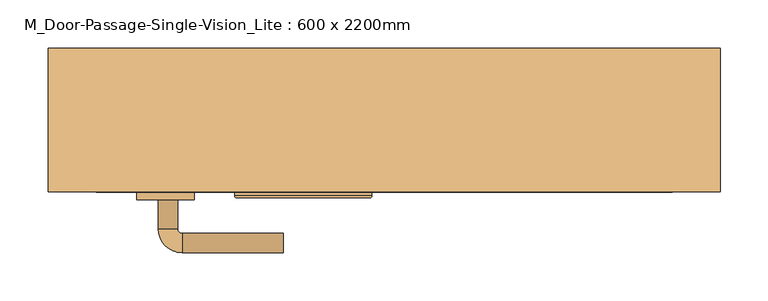
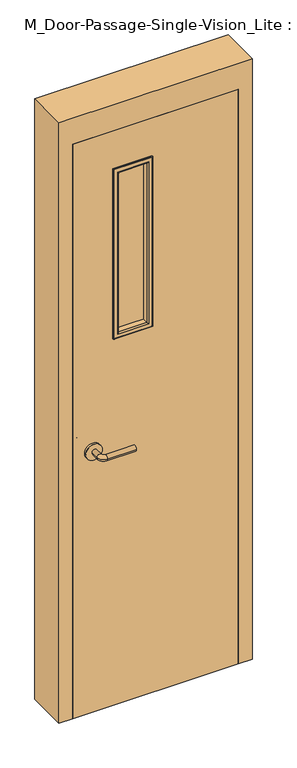
"""IFC4 building model written with IfcOpenShell, lengths in millimetres: door geometry, M_Door-Passage-Single-Vision_Lite : 600 x 2200mm."""

from ifc_helpers import new_model, si_unit, point, frame, frame_2d, origin, place, context, project, spatial, polyline, circle_curve, ellipse_curve, trimmed, segment, composite_curve, outline, extrude, faceted_brep, source, transform, mapped, element, save
from ifc_brep_helpers import plane_surface, cylinder_surface, revolved_surface, advanced_brep


def m_door_passage_single_vision_lite_600_x_2200mm_a9988aac(model_context):
    return source(origin(), model_context, "Body", "SolidModel", [
        advanced_brep(
        [(-234.990625, -104.35, 1000.0), (-214.990625, -104.35, 1000.0), (-234.990625, -74.35, 1000.0), (-214.990625, -74.35, 1000.0), (-209.990625, -69.35, 1000.0), (-209.990625, -49.35, 1000.0), (-104.990625, -49.35, 1000.0), (-104.990625, -69.35, 1000.0)],
        [
            (0, 1, circle_curve(frame((-224.990625, -104.35, 1000.0), z_axis=(0.0, -1.0, 0.0), x_axis=(1.0, 0.0, 0.0)), 10.0)),
            (1, 0, circle_curve(frame((-224.990625, -104.35, 1000.0), z_axis=(0.0, -1.0, 0.0), x_axis=(1.0, 0.0, 0.0)), 10.0)),
            (0, 2),
            (2, 3, circle_curve(frame((-224.990625, -74.35, 1000.0), z_axis=(0.0, -1.0, 0.0), x_axis=(1.0, 0.0, 0.0)), 10.0)),
            (3, 1),
            (3, 2, circle_curve(frame((-224.990625, -74.35, 1000.0), z_axis=(0.0, -1.0, 0.0), x_axis=(1.0, 0.0, 0.0)), 10.0)),
            (4, 3, circle_curve(frame((-209.990625, -74.35, 1000.0), z_axis=(0.0, 0.0, 1.0), x_axis=(-1.0, 0.0, 0.0)), 5.0)),
            (2, 5, circle_curve(frame((-209.990625, -74.35, 1000.0), z_axis=(0.0, 0.0, -1.0), x_axis=(-1.0, 0.0, 0.0)), 25.0)),
            (5, 4, circle_curve(frame((-209.990625, -59.35, 1000.0), z_axis=(-1.0, 0.0, 0.0), x_axis=(0.0, -1.0, 0.0)), 10.0)),
            (4, 5, circle_curve(frame((-209.990625, -59.35, 1000.0), z_axis=(-1.0, 0.0, 0.0), x_axis=(0.0, -1.0, 0.0)), 10.0)),
            (6, 7, circle_curve(frame((-104.990625, -59.35, 1000.0), z_axis=(1.0, 0.0, 0.0), x_axis=(0.0, -1.0, 0.0)), 10.0)),
            (7, 6, circle_curve(frame((-104.990625, -59.35, 1000.0), z_axis=(1.0, 0.0, 0.0), x_axis=(0.0, -1.0, 0.0)), 10.0)),
            (5, 6),
            (7, 4),
        ],
        [
            plane_surface(frame((-224.990625, -104.35, 1000.0), z_axis=(0.0, -1.0, 0.0), x_axis=(0.0, 0.0, 1.0))),
            cylinder_surface(frame((-224.990625, -104.35, 1000.0), z_axis=(0.0, -1.0, 0.0), x_axis=(1.0, 0.0, 0.0)), 10.0),
            revolved_surface(trimmed(ellipse_curve(frame((-224.990625, -74.35, 1000.0), z_axis=(0.0, -1.0, 0.0), x_axis=(1.0, 0.0, 0.0)), 10.0, 10.0), [point((-234.990625, -74.35, 1000.0))], [point((-214.990625, -74.35, 1000.0))], True, "CARTESIAN"), (-209.990625, -74.35, 1000.0), (0.0, 0.0, -1.0)),
            revolved_surface(trimmed(ellipse_curve(frame((-224.990625, -74.35, 1000.0), z_axis=(0.0, -1.0, 0.0), x_axis=(1.0, 0.0, 0.0)), 10.0, 10.0), [point((-214.990625, -74.35, 1000.0))], [point((-234.990625, -74.35, 1000.0))], True, "CARTESIAN"), (-209.990625, -74.35, 1000.0), (0.0, 0.0, -1.0)),
            plane_surface(frame((-104.990625, -59.35, 1000.0), z_axis=(1.0, 0.0, 0.0), x_axis=(0.0, 0.0, 1.0))),
            cylinder_surface(frame((-209.990625, -59.35, 1000.0), z_axis=(-1.0, 0.0, 0.0), x_axis=(0.0, -1.0, 0.0)), 10.0),
        ],
        [
            (0, [[1, 2]]),
            (1, [[-1, 3, 4, 5]]),
            (1, [[-2, -5, 6, -3]]),
            (2, [[7, -4, 8, 9]]),
            (3, [[-8, -6, -7, 10]]),
            (4, [[11, 12]]),
            (5, [[-9, 13, -12, 14]]),
            (5, [[-10, -14, -11, -13]]),
        ],
    ),
        extrude(outline(composite_curve([segment(trimmed(circle_curve(frame_2d((1000.0, -227.490625)), 30.0), [point((1000.0, -257.490625))], [point((1000.0, -197.490625))], False, "CARTESIAN"), True, "CONTINUOUS"), segment(trimmed(circle_curve(frame_2d((1000.0, -227.490625)), 30.0), [point((1000.0, -197.490625))], [point((1000.0, -257.490625))], False, "CARTESIAN"), True, "CONTINUOUS")], self_intersect=False)), frame((0.0, -112.35, 0.0), z_axis=(0.0, 1.0, 0.0), x_axis=(0.0, 0.0, 1.0)), (0.0, 0.0, 1.0), 8.0),
        advanced_brep(
        [(-234.990625, -165.35, 1000.0), (-214.990625, -165.35, 1000.0), (-214.990625, -195.35, 1000.0), (-234.990625, -195.35, 1000.0), (-209.990625, -200.35, 1000.0), (-209.990625, -220.35, 1000.0), (-104.990625, -220.35, 1000.0), (-104.990625, -200.35, 1000.0)],
        [
            (0, 1, circle_curve(frame((-224.990625, -165.35, 1000.0), z_axis=(0.0, 1.0, 0.0), x_axis=(1.0, 0.0, 0.0)), 10.0)),
            (1, 0, circle_curve(frame((-224.990625, -165.35, 1000.0), z_axis=(0.0, 1.0, 0.0), x_axis=(1.0, 0.0, 0.0)), 10.0)),
            (1, 2),
            (2, 3, circle_curve(frame((-224.990625, -195.35, 1000.0), z_axis=(0.0, 1.0, 0.0), x_axis=(1.0, 0.0, 0.0)), 10.0)),
            (3, 0),
            (3, 2, circle_curve(frame((-224.990625, -195.35, 1000.0), z_axis=(0.0, 1.0, 0.0), x_axis=(1.0, 0.0, 0.0)), 10.0)),
            (4, 5, circle_curve(frame((-209.990625, -210.35, 1000.0), z_axis=(-1.0, 0.0, 0.0), x_axis=(0.0, 1.0, 0.0)), 10.0)),
            (5, 3, circle_curve(frame((-209.990625, -195.35, 1000.0), z_axis=(0.0, 0.0, -1.0), x_axis=(-1.0, 0.0, 0.0)), 25.0)),
            (2, 4, circle_curve(frame((-209.990625, -195.35, 1000.0), z_axis=(0.0, 0.0, 1.0), x_axis=(-1.0, 0.0, 0.0)), 5.0)),
            (5, 4, circle_curve(frame((-209.990625, -210.35, 1000.0), z_axis=(-1.0, 0.0, 0.0), x_axis=(0.0, 1.0, 0.0)), 10.0)),
            (6, 7, circle_curve(frame((-104.990625, -210.35, 1000.0), z_axis=(1.0, 0.0, 0.0), x_axis=(0.0, 1.0, 0.0)), 10.0)),
            (7, 6, circle_curve(frame((-104.990625, -210.35, 1000.0), z_axis=(1.0, 0.0, 0.0), x_axis=(0.0, 1.0, 0.0)), 10.0)),
            (4, 7),
            (6, 5),
        ],
        [
            plane_surface(frame((-224.990625, -165.35, 1000.0), z_axis=(0.0, 1.0, 0.0), x_axis=(0.0, 0.0, 1.0))),
            cylinder_surface(frame((-224.990625, -165.35, 1000.0), z_axis=(0.0, 1.0, 0.0), x_axis=(1.0, 0.0, 0.0)), 10.0),
            revolved_surface(trimmed(ellipse_curve(frame((-224.990625, -195.35, 1000.0), z_axis=(0.0, -1.0, 0.0), x_axis=(1.0, 0.0, 0.0)), 10.0, 10.0), [point((-234.990625, -195.35, 1000.0))], [point((-214.990625, -195.35, 1000.0))], True, "CARTESIAN"), (-209.990625, -195.35, 1000.0), (0.0, 0.0, -1.0)),
            revolved_surface(trimmed(ellipse_curve(frame((-224.990625, -195.35, 1000.0), z_axis=(0.0, -1.0, 0.0), x_axis=(1.0, 0.0, 0.0)), 10.0, 10.0), [point((-214.990625, -195.35, 1000.0))], [point((-234.990625, -195.35, 1000.0))], True, "CARTESIAN"), (-209.990625, -195.35, 1000.0), (0.0, 0.0, -1.0)),
            plane_surface(frame((-104.990625, -210.35, 1000.0), z_axis=(1.0, 0.0, 0.0), x_axis=(0.0, 0.0, 1.0))),
            cylinder_surface(frame((-209.990625, -210.35, 1000.0), z_axis=(-1.0, 0.0, 0.0), x_axis=(0.0, 1.0, 0.0)), 10.0),
        ],
        [
            (0, [[1, 2]]),
            (1, [[3, 4, 5, -2]]),
            (1, [[-5, 6, -3, -1]]),
            (2, [[7, 8, -4, 9]]),
            (3, [[10, -9, -6, -8]]),
            (4, [[11, 12]]),
            (5, [[13, -11, 14, -7]]),
            (5, [[-14, -12, -13, -10]]),
        ],
    ),
        extrude(outline(composite_curve([segment(trimmed(circle_curve(frame_2d((1000.0, -227.490625)), 30.0), [point((1000.0, -257.490625))], [point((1000.0, -197.490625))], False, "CARTESIAN"), True, "CONTINUOUS"), segment(trimmed(circle_curve(frame_2d((1000.0, -227.490625)), 30.0), [point((1000.0, -197.490625))], [point((1000.0, -257.490625))], False, "CARTESIAN"), True, "CONTINUOUS")], self_intersect=False)), frame((0.0, -165.35, 0.0), z_axis=(0.0, 1.0, 0.0), x_axis=(0.0, 0.0, 1.0)), (0.0, 0.0, 1.0), 8.0),
        faceted_brep([(300.0, -107.5875, 0.0), (284.125, -107.5875, 0.0), (284.125, -56.5625, 0.0), (300.0, -56.5625, 0.0), (300.0, -7.35, 0.0), (350.0, -7.35, 0.0), (350.0, -157.35, 0.0), (300.0, -157.35, 0.0), (300.0, -157.35, 2200.0), (300.0, -107.5875, 2200.0), (350.0, -157.35, 2300.0), (-350.0, -157.35, 2300.0), (-350.0, -157.35, 0.0), (-300.0, -157.35, 0.0), (-300.0, -157.35, 2200.0), (350.0, -7.35, 2300.0), (300.0, -7.35, 2200.0), (-300.0, -7.35, 2200.0), (-300.0, -7.35, 0.0), (-350.0, -7.35, 0.0), (-350.0, -7.35, 2300.0), (300.0, -56.5625, 2200.0), (284.125, -56.5625, 2184.125), (-284.125, -56.5625, 2184.125), (-284.125, -56.5625, 0.0), (-300.0, -56.5625, 0.0), (-300.0, -56.5625, 2200.0), (284.125, -107.5875, 2184.125), (-300.0, -107.5875, 2200.0), (-300.0, -107.5875, 0.0), (-284.125, -107.5875, 0.0), (-284.125, -107.5875, 2184.125)], [[[0, 1, 2, 3, 4, 5, 6, 7]], [[7, 8, 9, 0]], [[6, 10, 11, 12, 13, 14, 8, 7]], [[5, 15, 10, 6]], [[4, 16, 17, 18, 19, 20, 15, 5]], [[3, 21, 16, 4]], [[2, 22, 23, 24, 25, 26, 21, 3]], [[1, 27, 22, 2]], [[0, 9, 28, 29, 30, 31, 27, 1]], [[8, 14, 28, 9]], [[16, 21, 26, 17]], [[22, 27, 31, 23]], [[12, 19, 18, 25, 24, 30, 29, 13]], [[13, 29, 28, 14]], [[11, 20, 19, 12]], [[17, 26, 25, 18]], [[23, 31, 30, 24]], [[15, 20, 11, 10]]]),
        extrude(outline(polyline([(2200.0, -300.0), (0.0, -300.0), (0.0, 300.0), (2200.0, 300.0), (2200.0, -300.0)]), holes=[polyline([(2047.6, -147.6), (2047.6, -20.6), (1412.6, -20.6), (1412.6, -147.6), (2047.6, -147.6)])]), frame((0.0, -157.35, 0.0), z_axis=(0.0, 1.0, 0.0), x_axis=(0.0, 0.0, 1.0)), (0.0, 0.0, 1.0), 45.0),
        extrude(outline(polyline([(-20.6, -132.35), (-20.6, -137.35), (-147.6, -137.35), (-147.6, -132.35), (-20.6, -132.35)])), frame((0.0, 0.0, 1412.6), z_axis=(0.0, 0.0, 1.0), x_axis=(1.0, 0.0, 0.0)), (0.0, 0.0, 1.0), 635.0),
        advanced_brep(
        [(-147.6, -132.35, 1412.6), (-147.6, -132.35, 2047.6), (-147.6, -112.35, 2047.6), (-147.6, -112.35, 1412.6), (-135.6, -111.35, 1424.6), (-135.6, -111.35, 2035.6), (-135.6, -132.35, 2035.6), (-135.6, -132.35, 1424.6), (-140.6, -106.35, 1419.6), (-140.6, -106.35, 2040.6), (-155.6, -108.35, 1404.6), (-155.6, -108.35, 2055.6), (-153.6, -106.35, 2053.6), (-153.6, -106.35, 1406.6), (-155.6, -112.35, 1404.6), (-155.6, -112.35, 2055.6), (-20.6, -132.35, 2047.6), (-20.6, -112.35, 2047.6), (-32.6, -111.35, 2035.6), (-32.6, -132.35, 2035.6), (-27.6, -106.35, 2040.6), (-12.6, -108.35, 2055.6), (-14.6, -106.35, 2053.6), (-12.6, -112.35, 2055.6), (-20.6, -132.35, 1412.6), (-20.6, -112.35, 1412.6), (-32.6, -111.35, 1424.6), (-32.6, -132.35, 1424.6), (-27.6, -106.35, 1419.6), (-12.6, -108.35, 1404.6), (-14.6, -106.35, 1406.6), (-12.6, -112.35, 1404.6)],
        [
            (0, 1),
            (1, 2),
            (2, 3),
            (3, 0),
            (4, 5),
            (5, 6),
            (6, 7),
            (7, 4),
            (8, 9),
            (9, 5, ellipse_curve(frame((-140.6, -111.35, 2040.6), z_axis=(-0.7071067811865475, 0.0, -0.7071067811865475), x_axis=(0.7071067811865474, 0.0, -0.7071067811865476)), 7.0710678, 5.0)),
            (4, 8, ellipse_curve(frame((-140.6, -111.35, 1419.6), z_axis=(-0.7071067811865475, 0.0, 0.7071067811865475), x_axis=(-0.7071067811865474, 0.0, -0.7071067811865476)), 7.0710678, 5.0)),
            (10, 11),
            (11, 12, ellipse_curve(frame((-153.6, -108.35, 2053.6), z_axis=(-0.7071067811865475, 0.0, -0.7071067811865475), x_axis=(0.7071067811865474, 0.0, -0.7071067811865476)), 2.8284271, 2.0)),
            (12, 13),
            (13, 10, ellipse_curve(frame((-153.6, -108.35, 1406.6), z_axis=(-0.7071067811865475, 0.0, 0.7071067811865475), x_axis=(-0.7071067811865474, 0.0, -0.7071067811865476)), 2.8284271, 2.0)),
            (14, 15),
            (15, 11),
            (10, 14),
            (1, 16),
            (16, 17),
            (17, 2),
            (5, 18),
            (18, 19),
            (19, 6),
            (9, 20),
            (20, 18, ellipse_curve(frame((-27.6, -111.35, 2040.6), z_axis=(-0.7071067811865475, 0.0, 0.7071067811865475), x_axis=(-0.7071067811865476, 0.0, -0.7071067811865474)), 7.0710678, 5.0)),
            (11, 21),
            (21, 22, ellipse_curve(frame((-14.6, -108.35, 2053.6), z_axis=(-0.7071067811865475, 0.0, 0.7071067811865475), x_axis=(-0.7071067811865476, 0.0, -0.7071067811865474)), 2.8284271, 2.0)),
            (22, 12),
            (15, 23),
            (23, 21),
            (16, 24),
            (24, 25),
            (25, 17),
            (18, 26),
            (26, 27),
            (27, 19),
            (20, 28),
            (28, 26, ellipse_curve(frame((-27.6, -111.35, 1419.6), z_axis=(0.7071067811865475, 0.0, 0.7071067811865475), x_axis=(-0.7071067811865474, 0.0, 0.7071067811865476)), 7.0710678, 5.0)),
            (21, 29),
            (29, 30, ellipse_curve(frame((-14.6, -108.35, 1406.6), z_axis=(0.7071067811865475, 0.0, 0.7071067811865475), x_axis=(-0.7071067811865474, 0.0, 0.7071067811865476)), 2.8284271, 2.0)),
            (30, 22),
            (23, 31),
            (31, 29),
            (14, 31),
            (25, 3),
            (24, 0),
            (27, 7),
            (26, 4),
            (28, 8),
            (30, 13),
            (29, 10),
        ],
        [
            plane_surface(frame((-147.6, -112.35, 1412.6), z_axis=(-1.0, 0.0, 0.0), x_axis=(0.0, 0.0, 1.0))),
            plane_surface(frame((-135.6, -132.35, 1424.6), z_axis=(1.0, 0.0, 0.0), x_axis=(0.0, 0.0, 1.0))),
            cylinder_surface(frame((-140.6, -111.35, 1412.6), z_axis=(0.0, 0.0, -1.0), x_axis=(-1.0, 0.0, 0.0)), 5.0),
            cylinder_surface(frame((-153.6, -108.35, 1412.6), z_axis=(0.0, 0.0, -1.0), x_axis=(-1.0, 0.0, 0.0)), 2.0),
            plane_surface(frame((-155.6, -108.35, 1404.6), z_axis=(-1.0, 0.0, 0.0), x_axis=(0.0, 0.0, 1.0))),
            plane_surface(frame((-147.6, -112.35, 2047.6), z_axis=(0.0, 0.0, 1.0), x_axis=(1.0, 0.0, 0.0))),
            plane_surface(frame((-135.6, -132.35, 2035.6), z_axis=(0.0, 0.0, -1.0), x_axis=(1.0, 0.0, 0.0))),
            cylinder_surface(frame((-147.6, -111.35, 2040.6), z_axis=(-1.0, 0.0, 0.0), x_axis=(0.0, 0.0, 1.0)), 5.0),
            cylinder_surface(frame((-147.6, -108.35, 2053.6), z_axis=(-1.0, 0.0, 0.0), x_axis=(0.0, 0.0, 1.0)), 2.0),
            plane_surface(frame((-155.6, -108.35, 2055.6), z_axis=(0.0, 0.0, 1.0), x_axis=(1.0, 0.0, 0.0))),
            plane_surface(frame((-20.6, -112.35, 2047.6), z_axis=(1.0, 0.0, 0.0), x_axis=(0.0, 0.0, -1.0))),
            plane_surface(frame((-32.6, -132.35, 2035.6), z_axis=(-1.0, 0.0, 0.0), x_axis=(0.0, 0.0, -1.0))),
            cylinder_surface(frame((-27.6, -111.35, 2047.6), z_axis=(0.0, 0.0, 1.0), x_axis=(1.0, 0.0, 0.0)), 5.0),
            cylinder_surface(frame((-14.6, -108.35, 2047.6), z_axis=(0.0, 0.0, 1.0), x_axis=(1.0, 0.0, 0.0)), 2.0),
            plane_surface(frame((-12.6, -108.35, 2055.6), z_axis=(1.0, 0.0, 0.0), x_axis=(0.0, 0.0, -1.0))),
            plane_surface(frame((-12.6, -112.35, 1404.6), z_axis=(0.0, -1.0, 0.0), x_axis=(-1.0, 0.0, 0.0))),
            plane_surface(frame((-20.6, -112.35, 1412.6), z_axis=(0.0, 0.0, -1.0), x_axis=(-1.0, 0.0, 0.0))),
            plane_surface(frame((-20.6, -132.35, 1412.6), z_axis=(0.0, -1.0, 0.0), x_axis=(-1.0, 0.0, 0.0))),
            plane_surface(frame((-32.6, -132.35, 1424.6), z_axis=(0.0, 0.0, 1.0), x_axis=(-1.0, 0.0, 0.0))),
            cylinder_surface(frame((-20.6, -111.35, 1419.6), z_axis=(1.0, 0.0, 0.0), x_axis=(0.0, 0.0, -1.0)), 5.0),
            plane_surface(frame((-27.6, -106.35, 1419.6), z_axis=(0.0, 1.0, 0.0), x_axis=(-1.0, 0.0, 0.0))),
            cylinder_surface(frame((-20.6, -108.35, 1406.6), z_axis=(1.0, 0.0, 0.0), x_axis=(0.0, 0.0, -1.0)), 2.0),
            plane_surface(frame((-12.6, -108.35, 1404.6), z_axis=(0.0, 0.0, -1.0), x_axis=(-1.0, 0.0, 0.0))),
        ],
        [
            (0, [[1, 2, 3, 4]]),
            (1, [[5, 6, 7, 8]]),
            (2, [[9, 10, -5, 11]]),
            (3, [[12, 13, 14, 15]]),
            (4, [[16, 17, -12, 18]]),
            (5, [[19, 20, 21, -2]]),
            (6, [[22, 23, 24, -6]]),
            (7, [[25, 26, -22, -10]]),
            (8, [[27, 28, 29, -13]]),
            (9, [[30, 31, -27, -17]]),
            (10, [[32, 33, 34, -20]]),
            (11, [[35, 36, 37, -23]]),
            (12, [[38, 39, -35, -26]]),
            (13, [[40, 41, 42, -28]]),
            (14, [[43, 44, -40, -31]]),
            (15, [[-16, 45, -43, -30], [-3, -21, -34, 46]]),
            (16, [[47, -4, -46, -33]]),
            (17, [[-1, -47, -32, -19], [-7, -24, -37, 48]]),
            (18, [[49, -8, -48, -36]]),
            (19, [[50, -11, -49, -39]]),
            (20, [[-14, -29, -42, 51], [-9, -50, -38, -25]]),
            (21, [[52, -15, -51, -41]]),
            (22, [[-45, -18, -52, -44]]),
        ],
    ),
        advanced_brep(
        [(-147.6, -137.35, 2047.6), (-147.6, -137.35, 1412.6), (-147.6, -157.35, 1412.6), (-147.6, -157.35, 2047.6), (-135.6, -158.35, 2035.6), (-135.6, -158.35, 1424.6), (-135.6, -137.35, 1424.6), (-135.6, -137.35, 2035.6), (-140.6, -163.35, 2040.6), (-140.6, -163.35, 1419.6), (-155.6, -161.35, 2055.6), (-155.6, -161.35, 1404.6), (-153.6, -163.35, 1406.6), (-153.6, -163.35, 2053.6), (-155.6, -157.35, 2055.6), (-155.6, -157.35, 1404.6), (-20.6, -137.35, 1412.6), (-20.6, -157.35, 1412.6), (-32.6, -158.35, 1424.6), (-32.6, -137.35, 1424.6), (-27.6, -163.35, 1419.6), (-12.6, -161.35, 1404.6), (-14.6, -163.35, 1406.6), (-12.6, -157.35, 1404.6), (-20.6, -137.35, 2047.6), (-20.6, -157.35, 2047.6), (-32.6, -158.35, 2035.6), (-32.6, -137.35, 2035.6), (-27.6, -163.35, 2040.6), (-12.6, -161.35, 2055.6), (-14.6, -163.35, 2053.6), (-12.6, -157.35, 2055.6)],
        [
            (0, 1),
            (1, 2),
            (2, 3),
            (3, 0),
            (4, 5),
            (5, 6),
            (6, 7),
            (7, 4),
            (8, 9),
            (9, 5, ellipse_curve(frame((-140.6, -158.35, 1419.6), z_axis=(-0.7071067811865475, 0.0, 0.7071067811865475), x_axis=(0.7071067811865474, 0.0, 0.7071067811865476)), 7.0710678, 5.0)),
            (4, 8, ellipse_curve(frame((-140.6, -158.35, 2040.6), z_axis=(-0.7071067811865475, 0.0, -0.7071067811865475), x_axis=(-0.7071067811865474, 0.0, 0.7071067811865476)), 7.0710678, 5.0)),
            (10, 11),
            (11, 12, ellipse_curve(frame((-153.6, -161.35, 1406.6), z_axis=(-0.7071067811865475, 0.0, 0.7071067811865475), x_axis=(0.7071067811865474, 0.0, 0.7071067811865476)), 2.8284271, 2.0)),
            (12, 13),
            (13, 10, ellipse_curve(frame((-153.6, -161.35, 2053.6), z_axis=(-0.7071067811865475, 0.0, -0.7071067811865475), x_axis=(-0.7071067811865474, 0.0, 0.7071067811865476)), 2.8284271, 2.0)),
            (14, 15),
            (15, 11),
            (10, 14),
            (1, 16),
            (16, 17),
            (17, 2),
            (5, 18),
            (18, 19),
            (19, 6),
            (9, 20),
            (20, 18, ellipse_curve(frame((-27.6, -158.35, 1419.6), z_axis=(-0.7071067811865475, 0.0, -0.7071067811865475), x_axis=(-0.7071067811865476, 0.0, 0.7071067811865474)), 7.0710678, 5.0)),
            (11, 21),
            (21, 22, ellipse_curve(frame((-14.6, -161.35, 1406.6), z_axis=(-0.7071067811865475, 0.0, -0.7071067811865475), x_axis=(-0.7071067811865476, 0.0, 0.7071067811865474)), 2.8284271, 2.0)),
            (22, 12),
            (15, 23),
            (23, 21),
            (16, 24),
            (24, 25),
            (25, 17),
            (18, 26),
            (26, 27),
            (27, 19),
            (20, 28),
            (28, 26, ellipse_curve(frame((-27.6, -158.35, 2040.6), z_axis=(0.7071067811865475, 0.0, -0.7071067811865475), x_axis=(-0.7071067811865474, 0.0, -0.7071067811865476)), 7.0710678, 5.0)),
            (21, 29),
            (29, 30, ellipse_curve(frame((-14.6, -161.35, 2053.6), z_axis=(0.7071067811865475, 0.0, -0.7071067811865475), x_axis=(-0.7071067811865474, 0.0, -0.7071067811865476)), 2.8284271, 2.0)),
            (30, 22),
            (23, 31),
            (31, 29),
            (14, 31),
            (25, 3),
            (24, 0),
            (27, 7),
            (26, 4),
            (28, 8),
            (30, 13),
            (29, 10),
        ],
        [
            plane_surface(frame((-147.6, -157.35, 2047.6), z_axis=(-1.0, 0.0, 0.0), x_axis=(0.0, 0.0, -1.0))),
            plane_surface(frame((-135.6, -137.35, 2035.6), z_axis=(1.0, 0.0, 0.0), x_axis=(0.0, 0.0, -1.0))),
            cylinder_surface(frame((-140.6, -158.35, 2047.6), z_axis=(0.0, 0.0, 1.0), x_axis=(-1.0, 0.0, 0.0)), 5.0),
            cylinder_surface(frame((-153.6, -161.35, 2047.6), z_axis=(0.0, 0.0, 1.0), x_axis=(-1.0, 0.0, 0.0)), 2.0),
            plane_surface(frame((-155.6, -161.35, 2055.6), z_axis=(-1.0, 0.0, 0.0), x_axis=(0.0, 0.0, -1.0))),
            plane_surface(frame((-147.6, -157.35, 1412.6), z_axis=(0.0, 0.0, -1.0), x_axis=(1.0, 0.0, 0.0))),
            plane_surface(frame((-135.6, -137.35, 1424.6), z_axis=(0.0, 0.0, 1.0), x_axis=(1.0, 0.0, 0.0))),
            cylinder_surface(frame((-147.6, -158.35, 1419.6), z_axis=(-1.0, 0.0, 0.0), x_axis=(0.0, 0.0, -1.0)), 5.0),
            cylinder_surface(frame((-147.6, -161.35, 1406.6), z_axis=(-1.0, 0.0, 0.0), x_axis=(0.0, 0.0, -1.0)), 2.0),
            plane_surface(frame((-155.6, -161.35, 1404.6), z_axis=(0.0, 0.0, -1.0), x_axis=(1.0, 0.0, 0.0))),
            plane_surface(frame((-20.6, -157.35, 1412.6), z_axis=(1.0, 0.0, 0.0), x_axis=(0.0, 0.0, 1.0))),
            plane_surface(frame((-32.6, -137.35, 1424.6), z_axis=(-1.0, 0.0, 0.0), x_axis=(0.0, 0.0, 1.0))),
            cylinder_surface(frame((-27.6, -158.35, 1412.6), z_axis=(0.0, 0.0, -1.0), x_axis=(1.0, 0.0, 0.0)), 5.0),
            cylinder_surface(frame((-14.6, -161.35, 1412.6), z_axis=(0.0, 0.0, -1.0), x_axis=(1.0, 0.0, 0.0)), 2.0),
            plane_surface(frame((-12.6, -161.35, 1404.6), z_axis=(1.0, 0.0, 0.0), x_axis=(0.0, 0.0, 1.0))),
            plane_surface(frame((-12.6, -157.35, 2055.6), z_axis=(0.0, 1.0, 0.0), x_axis=(-1.0, 0.0, 0.0))),
            plane_surface(frame((-20.6, -157.35, 2047.6), z_axis=(0.0, 0.0, 1.0), x_axis=(-1.0, 0.0, 0.0))),
            plane_surface(frame((-20.6, -137.35, 2047.6), z_axis=(0.0, 1.0, 0.0), x_axis=(-1.0, 0.0, 0.0))),
            plane_surface(frame((-32.6, -137.35, 2035.6), z_axis=(0.0, 0.0, -1.0), x_axis=(-1.0, 0.0, 0.0))),
            cylinder_surface(frame((-20.6, -158.35, 2040.6), z_axis=(1.0, 0.0, 0.0), x_axis=(0.0, 0.0, 1.0)), 5.0),
            plane_surface(frame((-27.6, -163.35, 2040.6), z_axis=(0.0, -1.0, 0.0), x_axis=(-1.0, 0.0, 0.0))),
            cylinder_surface(frame((-20.6, -161.35, 2053.6), z_axis=(1.0, 0.0, 0.0), x_axis=(0.0, 0.0, 1.0)), 2.0),
            plane_surface(frame((-12.6, -161.35, 2055.6), z_axis=(0.0, 0.0, 1.0), x_axis=(-1.0, 0.0, 0.0))),
        ],
        [
            (0, [[1, 2, 3, 4]]),
            (1, [[5, 6, 7, 8]]),
            (2, [[9, 10, -5, 11]]),
            (3, [[12, 13, 14, 15]]),
            (4, [[16, 17, -12, 18]]),
            (5, [[19, 20, 21, -2]]),
            (6, [[22, 23, 24, -6]]),
            (7, [[25, 26, -22, -10]]),
            (8, [[27, 28, 29, -13]]),
            (9, [[30, 31, -27, -17]]),
            (10, [[32, 33, 34, -20]]),
            (11, [[35, 36, 37, -23]]),
            (12, [[38, 39, -35, -26]]),
            (13, [[40, 41, 42, -28]]),
            (14, [[43, 44, -40, -31]]),
            (15, [[-16, 45, -43, -30], [-3, -21, -34, 46]]),
            (16, [[47, -4, -46, -33]]),
            (17, [[-1, -47, -32, -19], [-7, -24, -37, 48]]),
            (18, [[49, -8, -48, -36]]),
            (19, [[50, -11, -49, -39]]),
            (20, [[-14, -29, -42, 51], [-9, -50, -38, -25]]),
            (21, [[52, -15, -51, -41]]),
            (22, [[-45, -18, -52, -44]]),
        ],
    ),
    ])


if __name__ == "__main__":
    model = new_model("IFC4")
    model_context = context("Model", 3, world=origin())
    ifc_project = project(units=[si_unit("LENGTHUNIT", "METRE", prefix="MILLI")], contexts=[model_context])
    site = spatial("IfcSite", under=ifc_project)
    building = spatial("IfcBuilding", under=site)
    placement = place(None, origin())
    m_door_passage_single_vision_lite_600_x_2200mm_shape = m_door_passage_single_vision_lite_600_x_2200mm_a9988aac(model_context)
    element("IfcDoor", 1, ObjectType="M_Door-Passage-Single-Vision_Lite : 600 x 2200mm", at=placement, inside=building, context=model_context, shape_type="MappedRepresentation", body=[
        mapped(m_door_passage_single_vision_lite_600_x_2200mm_shape, transform((0.0, 0.0, 0.0), x_axis=(1.0, 0.0, 0.0), y_axis=(0.0, 1.0, 0.0), z_axis=(0.0, 0.0, 1.0))),
    ])
    save(model, "model.ifc")
